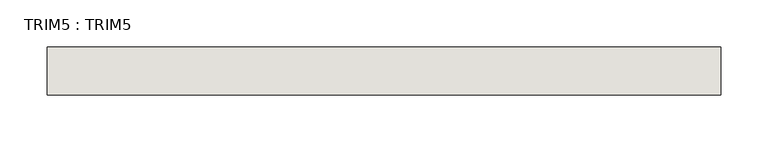
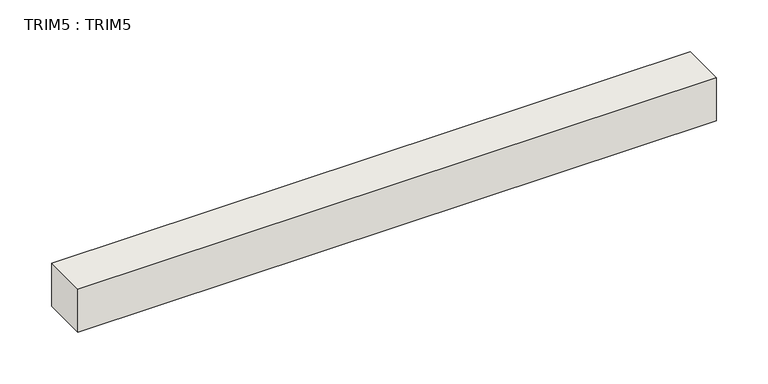
"""IFC4 building model written with IfcOpenShell, lengths in millimetres: wall geometry, TRIM5 : TRIM5."""

from ifc_helpers import new_model, si_unit, frame, origin, place, context, project, spatial, polyline, outline, extrude, source, transform, mapped, element, save


def trim5_trim5_53320466(model_context):
    return source(origin(), model_context, "Body", "SweptSolid", [
        extrude(outline(polyline([(-15284.8466415, -354.1267035), (-15999.2216415, -354.1267035), (-15999.2216415, -303.3267035), (-15284.8466415, -303.3267035), (-15284.8466415, -354.1267035)])), frame((0.0, 0.0, 3638.55), z_axis=(0.0, 0.0, 1.0), x_axis=(1.0, 0.0, 0.0)), (0.0, 0.0, 1.0), 50.8),
    ])


if __name__ == "__main__":
    model = new_model("IFC4")
    model_context = context("Model", 3, world=origin())
    ifc_project = project(units=[si_unit("LENGTHUNIT", "METRE", prefix="MILLI")], contexts=[model_context])
    site = spatial("IfcSite", under=ifc_project)
    building = spatial("IfcBuilding", under=site)
    placement = place(None, origin())
    trim5_trim5_shape = trim5_trim5_53320466(model_context)
    element("IfcWall", 1, ObjectType="TRIM5 : TRIM5", at=placement, inside=building, context=model_context, shape_type="MappedRepresentation", body=[
        mapped(trim5_trim5_shape, transform((0.0, 0.0, 0.0), x_axis=(1.0, 0.0, 0.0), y_axis=(0.0, 1.0, 0.0), z_axis=(0.0, 0.0, 1.0))),
    ])
    save(model, "model.ifc")
